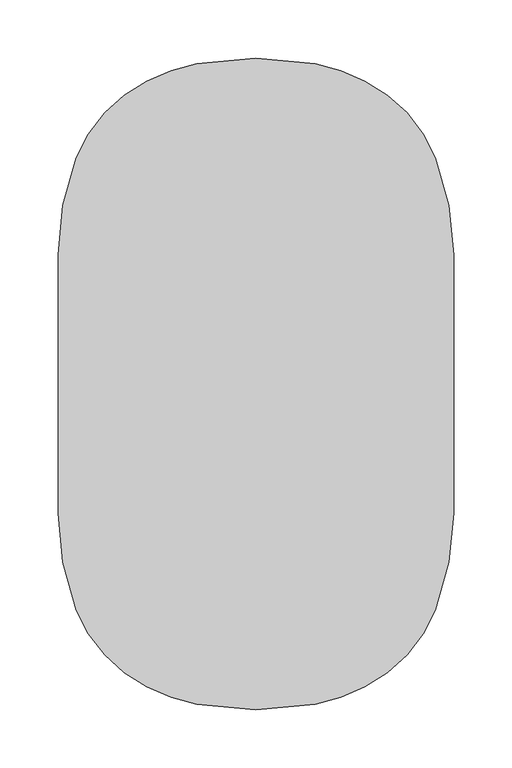
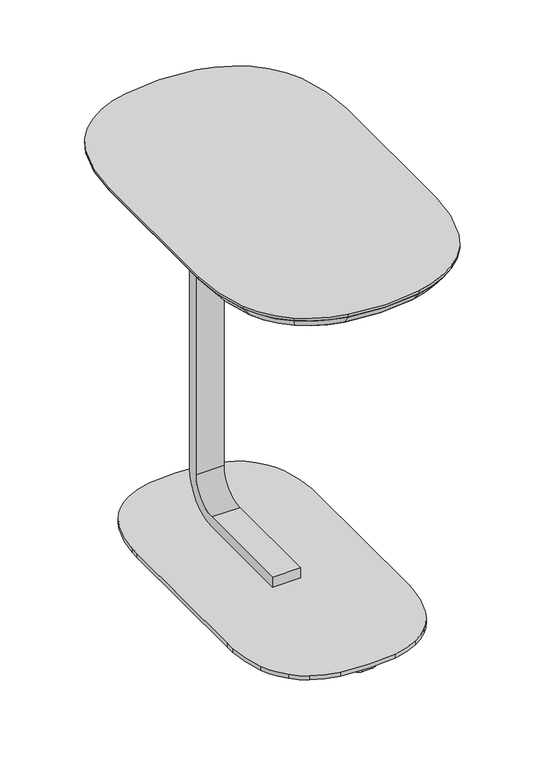
"""IFC4 building model written with IfcOpenShell, lengths in millimetres: furniture geometry."""

from ifc_helpers import new_model, si_unit, point, frame, frame_2d, origin, origin_with_axes, place, context, project, spatial, polyline, circle_curve, trimmed, segment, composite_curve, outline, extrude, source, transform, mapped, element, save
from ifc_brep_helpers import plane_surface, revolved_surface, advanced_brep


def furniture_dea233b0(model_context):
    return source(origin(), model_context, "Body", "SolidModel", [
        extrude(outline(composite_curve([segment(trimmed(circle_curve(frame_2d((59.7730218, 111.0000016)), 217.0730194), [point((-157.2999977, 111.0000016))], [point((-142.4413827, 189.9305432))], False, "CARTESIAN"), True, "CONTINUOUS"), segment(trimmed(circle_curve(frame_2d((-41.3271854, 150.462542)), 108.5440188), [point((-142.4413827, 189.9305432))], [point((-105.5617086, 237.9595708))], False, "CARTESIAN"), True, "CONTINUOUS"), segment(trimmed(circle_curve(frame_2d((-21.8726715, 123.9625842)), 141.4184142), [point((-105.5617086, 237.9595708))], [point((-48.4990834, 262.8517561))], False, "CARTESIAN"), True, "CONTINUOUS"), segment(trimmed(circle_curve(frame_2d((0.0, 9.8699587)), 257.5887243), [point((-48.4990834, 262.8517561))], [point((48.4990834, 262.8517561))], False, "CARTESIAN"), True, "CONTINUOUS"), segment(trimmed(circle_curve(frame_2d((21.8726715, 123.9625842)), 141.4184142), [point((48.4990834, 262.8517561))], [point((105.5617086, 237.9595708))], False, "CARTESIAN"), True, "CONTINUOUS"), segment(trimmed(circle_curve(frame_2d((41.3271854, 150.462542)), 108.5440188), [point((105.5617086, 237.9595708))], [point((142.4413827, 189.9305432))], False, "CARTESIAN"), True, "CONTINUOUS"), segment(trimmed(circle_curve(frame_2d((-59.7730218, 111.0000016)), 217.0730194), [point((142.4413827, 189.9305432))], [point((157.2999977, 111.0000016))], False, "CARTESIAN"), True, "CONTINUOUS"), segment(polyline([(157.2999977, 111.0000016), (157.2999977, -111.0000016)]), True, "CONTINUOUS"), segment(trimmed(circle_curve(frame_2d((-59.7730218, -111.0000016)), 217.0730194), [point((157.2999977, -111.0000016))], [point((142.4413827, -189.9305432))], False, "CARTESIAN"), True, "CONTINUOUS"), segment(trimmed(circle_curve(frame_2d((41.3271854, -150.462542)), 108.5440188), [point((142.4413827, -189.9305432))], [point((105.5617086, -237.9595708))], False, "CARTESIAN"), True, "CONTINUOUS"), segment(trimmed(circle_curve(frame_2d((21.8726715, -123.9625842)), 141.4184142), [point((105.5617086, -237.9595708))], [point((48.4990834, -262.8517561))], False, "CARTESIAN"), True, "CONTINUOUS"), segment(trimmed(circle_curve(frame_2d((0.0, -9.8699587)), 257.5887243), [point((48.4990834, -262.8517561))], [point((-48.4990834, -262.8517561))], False, "CARTESIAN"), True, "CONTINUOUS"), segment(trimmed(circle_curve(frame_2d((-21.8726715, -123.9625842)), 141.4184142), [point((-48.4990834, -262.8517561))], [point((-105.5617086, -237.9595708))], False, "CARTESIAN"), True, "CONTINUOUS"), segment(trimmed(circle_curve(frame_2d((-41.3271854, -150.462542)), 108.5440188), [point((-105.5617086, -237.9595708))], [point((-142.4413827, -189.9305432))], False, "CARTESIAN"), True, "CONTINUOUS"), segment(trimmed(circle_curve(frame_2d((59.7730218, -111.0000016)), 217.0730194), [point((-142.4413827, -189.9305432))], [point((-157.2999977, -111.0000016))], False, "CARTESIAN"), True, "CONTINUOUS"), segment(polyline([(-157.2999977, -111.0000016), (-157.2999977, 111.0000016)]), True, "CONTINUOUS")], self_intersect=False)), frame((0.0, 0.0, 559.5874), z_axis=(0.0, 0.0, 1.0), x_axis=(1.0, 0.0, 0.0)), (0.0, 0.0, 1.0), 2.54),
        advanced_brep(
        [(-169.9999977, -111.0000016, 575.5874045), (-154.2720696, -194.5484266, 575.5874045), (-113.0773548, -248.1970051, 575.5874045), (-50.8902531, -275.3246189, 575.5874045), (50.8902531, -275.3246189, 575.5874045), (113.0773548, -248.1970051, 575.5874045), (154.2720696, -194.5484266, 575.5874045), (169.9999977, -111.0000016, 575.5874045), (169.9999977, 111.0000016, 575.5874045), (154.2720696, 194.5484266, 575.5874045), (113.0773548, 248.1970051, 575.5874045), (50.8902531, 275.3246189, 575.5874045), (-50.8902531, 275.3246189, 575.5874045), (-113.0773548, 248.1970051, 575.5874045), (-154.2720696, 194.5484266, 575.5874045), (-169.9999977, 111.0000016, 575.5874045), (-157.2999977, -111.0000016, 559.5874), (-142.4413827, -189.9305432, 559.5874), (-105.5617086, -237.9595708, 559.5874), (-48.4990834, -262.8517561, 559.5874), (48.4990834, -262.8517561, 559.5874), (105.5617086, -237.9595708, 559.5874), (142.4413827, -189.9305432, 559.5874), (157.2999977, -111.0000016, 559.5874), (157.2999977, 111.0000016, 559.5874), (142.4413827, 189.9305432, 559.5874), (105.5617086, 237.9595708, 559.5874), (48.4990834, 262.8517561, 559.5874), (-48.4990834, 262.8517561, 559.5874), (-105.5617086, 237.9595708, 559.5874), (-142.4413827, 189.9305432, 559.5874), (-157.2999977, 111.0000016, 559.5874), (-157.2999977, 111.0000016, 562.1274), (-142.4413827, 189.9305432, 562.1274), (-105.5617086, 237.9595708, 562.1274), (-48.4990834, 262.8517561, 562.1274), (48.4990834, 262.8517561, 562.1274), (105.5617086, 237.9595708, 562.1274), (142.4413827, 189.9305432, 562.1274), (157.2999977, 111.0000016, 562.1274), (157.2999977, -111.0000016, 562.1274), (142.4413827, -189.9305432, 562.1274), (105.5617086, -237.9595708, 562.1274), (48.4990834, -262.8517561, 562.1274), (-48.4990834, -262.8517561, 562.1274), (-105.5617086, -237.9595708, 562.1274), (-142.4413827, -189.9305432, 562.1274), (-157.2999977, -111.0000016, 562.1274)],
        [
            (0, 1, circle_curve(frame((59.7730218, -111.0000016, 575.5874045), z_axis=(0.0, 0.0, 1.0), x_axis=(-0.9315501528197535, -0.36361286113323027, 0.0)), 229.7730194)),
            (1, 2, circle_curve(frame((-41.3271854, -150.462542, 575.5874045), z_axis=(0.0, 0.0, 1.0), x_axis=(-0.5917831670787314, -0.8060971921314863, 0.0)), 121.2440188)),
            (2, 3, circle_curve(frame((-21.8726715, -123.9625842, 575.5874045), z_axis=(0.0, 0.0, 1.0), x_axis=(-0.18828108061133114, -0.9821151840206064, 0.0)), 154.1184142)),
            (3, 4, circle_curve(frame((0.0, -9.8699587, 575.5874045), z_axis=(0.0, 0.0, 1.0), x_axis=(0.18828108061154258, -0.9821151840205659, 0.0)), 270.2887243)),
            (4, 5, circle_curve(frame((21.8726715, -123.9625842, 575.5874045), z_axis=(0.0, 0.0, 1.0), x_axis=(0.591783167078842, -0.8060971921314051, 0.0)), 154.1184142)),
            (5, 6, circle_curve(frame((41.3271854, -150.462542, 575.5874045), z_axis=(0.0, 0.0, 1.0), x_axis=(0.9315501528198225, -0.36361286113305363, 0.0)), 121.2440188)),
            (6, 7, circle_curve(frame((-59.7730218, -111.0000016, 575.5874045), z_axis=(0.0, 0.0, 1.0), x_axis=(1.0, 0.0, 0.0)), 229.7730194)),
            (7, 8),
            (8, 9, circle_curve(frame((-59.7730218, 111.0000016, 575.5874045), z_axis=(0.0, 0.0, 1.0), x_axis=(0.9315501528197597, 0.3636128611332145, 0.0)), 229.7730194)),
            (9, 10, circle_curve(frame((41.3271854, 150.462542, 575.5874045), z_axis=(0.0, 0.0, 1.0), x_axis=(0.5917831670787361, 0.8060971921314829, 0.0)), 121.2440188)),
            (10, 11, circle_curve(frame((21.8726715, 123.9625842, 575.5874045), z_axis=(0.0, 0.0, 1.0), x_axis=(0.18828108061147614, 0.9821151840205785, 0.0)), 154.1184142)),
            (11, 12, circle_curve(frame((0.0, 9.8699587, 575.5874045), z_axis=(0.0, 0.0, 1.0), x_axis=(-0.18828108061141519, 0.9821151840205903, 0.0)), 270.2887243)),
            (12, 13, circle_curve(frame((-21.8726715, 123.9625842, 575.5874045), z_axis=(0.0, 0.0, 1.0), x_axis=(-0.591783167078841, 0.8060971921314058, 0.0)), 154.1184142)),
            (13, 14, circle_curve(frame((-41.3271854, 150.462542, 575.5874045), z_axis=(0.0, 0.0, 1.0), x_axis=(-0.9315501528198256, 0.3636128611330458, 0.0)), 121.2440188)),
            (14, 15, circle_curve(frame((59.7730218, 111.0000016, 575.5874045), z_axis=(0.0, 0.0, 1.0), x_axis=(-1.0, 0.0, 0.0)), 229.7730194)),
            (15, 0),
            (0, 16),
            (16, 17, circle_curve(frame((59.7730218, -111.0000016, 559.5874), z_axis=(0.0, 0.0, 1.0), x_axis=(-0.9315501528197535, -0.36361286113323027, 0.0)), 217.0730194)),
            (17, 1),
            (17, 18, circle_curve(frame((-41.3271854, -150.462542, 559.5874), z_axis=(0.0, 0.0, 1.0), x_axis=(-0.5917831670787314, -0.8060971921314863, 0.0)), 108.5440188)),
            (18, 2),
            (18, 19, circle_curve(frame((-21.8726715, -123.9625842, 559.5874), z_axis=(0.0, 0.0, 1.0), x_axis=(-0.18828108061133114, -0.9821151840206064, 0.0)), 141.4184142)),
            (19, 3),
            (19, 20, circle_curve(frame((0.0, -9.8699587, 559.5874), z_axis=(0.0, 0.0, 1.0), x_axis=(0.18828108061154258, -0.9821151840205659, 0.0)), 257.5887243)),
            (20, 4),
            (20, 21, circle_curve(frame((21.8726715, -123.9625842, 559.5874), z_axis=(0.0, 0.0, 1.0), x_axis=(0.591783167078842, -0.8060971921314051, 0.0)), 141.4184142)),
            (21, 5),
            (21, 22, circle_curve(frame((41.3271854, -150.462542, 559.5874), z_axis=(0.0, 0.0, 1.0), x_axis=(0.9315501528198225, -0.36361286113305363, 0.0)), 108.5440188)),
            (22, 6),
            (22, 23, circle_curve(frame((-59.7730218, -111.0000016, 559.5874), z_axis=(0.0, 0.0, 1.0), x_axis=(1.0, 0.0, 0.0)), 217.0730194)),
            (23, 7),
            (23, 24),
            (24, 8),
            (24, 25, circle_curve(frame((-59.7730218, 111.0000016, 559.5874), z_axis=(0.0, 0.0, 1.0), x_axis=(0.9315501528197597, 0.3636128611332145, 0.0)), 217.0730194)),
            (25, 9),
            (25, 26, circle_curve(frame((41.3271854, 150.462542, 559.5874), z_axis=(0.0, 0.0, 1.0), x_axis=(0.5917831670787361, 0.8060971921314829, 0.0)), 108.5440188)),
            (26, 10),
            (26, 27, circle_curve(frame((21.8726715, 123.9625842, 559.5874), z_axis=(0.0, 0.0, 1.0), x_axis=(0.18828108061147614, 0.9821151840205785, 0.0)), 141.4184142)),
            (27, 11),
            (27, 28, circle_curve(frame((0.0, 9.8699587, 559.5874), z_axis=(0.0, 0.0, 1.0), x_axis=(-0.18828108061141519, 0.9821151840205903, 0.0)), 257.5887243)),
            (28, 12),
            (28, 29, circle_curve(frame((-21.8726715, 123.9625842, 559.5874), z_axis=(0.0, 0.0, 1.0), x_axis=(-0.591783167078841, 0.8060971921314058, 0.0)), 141.4184142)),
            (29, 13),
            (29, 30, circle_curve(frame((-41.3271854, 150.462542, 559.5874), z_axis=(0.0, 0.0, 1.0), x_axis=(-0.9315501528198256, 0.3636128611330458, 0.0)), 108.5440188)),
            (30, 14),
            (30, 31, circle_curve(frame((59.7730218, 111.0000016, 559.5874), z_axis=(0.0, 0.0, 1.0), x_axis=(-1.0, 0.0, 0.0)), 217.0730194)),
            (31, 15),
            (31, 16),
            (32, 33, circle_curve(frame((59.7730218, 111.0000016, 562.1274), z_axis=(0.0, 0.0, -1.0), x_axis=(0.0, 1.0, 0.0)), 217.0730194)),
            (33, 34, circle_curve(frame((-41.3271854, 150.462542, 562.1274), z_axis=(0.0, 0.0, -1.0), x_axis=(0.0, 1.0, 0.0)), 108.5440188)),
            (34, 35, circle_curve(frame((-21.8726715, 123.9625842, 562.1274), z_axis=(0.0, 0.0, -1.0), x_axis=(0.0, 1.0, 0.0)), 141.4184142)),
            (35, 36, circle_curve(frame((0.0, 9.8699587, 562.1274), z_axis=(0.0, 0.0, -1.0), x_axis=(0.0, 1.0, 0.0)), 257.5887243)),
            (36, 37, circle_curve(frame((21.8726715, 123.9625842, 562.1274), z_axis=(0.0, 0.0, -1.0), x_axis=(0.0, 1.0, 0.0)), 141.4184142)),
            (37, 38, circle_curve(frame((41.3271854, 150.462542, 562.1274), z_axis=(0.0, 0.0, -1.0), x_axis=(0.0, 1.0, 0.0)), 108.5440188)),
            (38, 39, circle_curve(frame((-59.7730218, 111.0000016, 562.1274), z_axis=(0.0, 0.0, -1.0), x_axis=(0.0, 1.0, 0.0)), 217.0730194)),
            (39, 40),
            (40, 41, circle_curve(frame((-59.7730218, -111.0000016, 562.1274), z_axis=(0.0, 0.0, -1.0), x_axis=(0.0, 1.0, 0.0)), 217.0730194)),
            (41, 42, circle_curve(frame((41.3271854, -150.462542, 562.1274), z_axis=(0.0, 0.0, -1.0), x_axis=(0.0, 1.0, 0.0)), 108.5440188)),
            (42, 43, circle_curve(frame((21.8726715, -123.9625842, 562.1274), z_axis=(0.0, 0.0, -1.0), x_axis=(0.0, 1.0, 0.0)), 141.4184142)),
            (43, 44, circle_curve(frame((0.0, -9.8699587, 562.1274), z_axis=(0.0, 0.0, -1.0), x_axis=(0.0, 1.0, 0.0)), 257.5887243)),
            (44, 45, circle_curve(frame((-21.8726715, -123.9625842, 562.1274), z_axis=(0.0, 0.0, -1.0), x_axis=(0.0, 1.0, 0.0)), 141.4184142)),
            (45, 46, circle_curve(frame((-41.3271854, -150.462542, 562.1274), z_axis=(0.0, 0.0, -1.0), x_axis=(0.0, 1.0, 0.0)), 108.5440188)),
            (46, 47, circle_curve(frame((59.7730218, -111.0000016, 562.1274), z_axis=(0.0, 0.0, -1.0), x_axis=(0.0, 1.0, 0.0)), 217.0730194)),
            (47, 32),
            (47, 16),
            (31, 32),
            (46, 17),
            (45, 18),
            (44, 19),
            (43, 20),
            (42, 21),
            (41, 22),
            (40, 23),
            (39, 24),
            (38, 25),
            (37, 26),
            (36, 27),
            (35, 28),
            (34, 29),
            (33, 30),
        ],
        [
            plane_surface(frame((0.0, 0.0, 575.5874045), z_axis=(0.0, 0.0, 1.0), x_axis=(0.0, -1.0, 0.0))),
            revolved_surface(polyline([(-142.44138264615898, -189.93054325964198, 559.5874), (-154.2720696, -194.5484266, 575.5874045)]), (59.7730218, -111.0000016, 286.1095036), (0.0, 0.0, 1.0)),
            revolved_surface(polyline([(-105.56170857671802, -237.95957075490415, 559.5874), (-113.0773548, -248.1970051, 575.5874045)]), (-41.3271854, -150.462542, 422.8389915), (0.0, 0.0, 1.0)),
            revolved_surface(polyline([(-48.49908337130098, -262.8517560529828, 559.5874), (-50.8902531, -275.3246189, 575.5874045)]), (-21.8726715, -123.9625842, 381.4224188), (0.0, 0.0, 1.0)),
            revolved_surface(polyline([(48.49908337332401, -262.8517560508408, 559.5874), (50.8902531, -275.3246189, 575.5874045)]), (0.0, -9.8699587, 235.0660816), (0.0, 0.0, 1.0)),
            revolved_surface(polyline([(105.5617085676985, -237.95957075369552, 559.5874), (113.0773548, -248.1970051, 575.5874045)]), (21.8726715, -123.9625842, 381.4224188), (0.0, 0.0, 1.0)),
            revolved_surface(polyline([(142.44138265563234, -189.9305432574969, 559.5874), (154.2720696, -194.5484266, 575.5874045)]), (41.3271854, -150.462542, 422.8389915), (0.0, 0.0, 1.0)),
            revolved_surface(polyline([(157.2999976842869, -111.0000016, 559.5874), (169.9999977, -111.0000016, 575.5874045)]), (-59.7730218, -111.0000016, 286.1095036), (0.0, 0.0, 1.0)),
            plane_surface(frame((169.9999977, 0.0, 575.5874045), z_axis=(0.7832511496566587, 0.0, -0.6217054258742822), x_axis=(0.0, -1.0, 0.0))),
            revolved_surface(polyline([(142.44138264615898, 189.93054325964198, 559.5874), (154.2720696, 194.5484266, 575.5874045)]), (-59.7730218, 111.0000016, 286.1095036), (0.0, 0.0, 1.0)),
            revolved_surface(polyline([(105.56170857671802, 237.95957075490415, 559.5874), (113.0773548, 248.1970051, 575.5874045)]), (41.3271854, 150.462542, 422.8389915), (0.0, 0.0, 1.0)),
            revolved_surface(polyline([(48.49908337130098, 262.8517560529828, 559.5874), (50.8902531, 275.3246189, 575.5874045)]), (21.8726715, 123.9625842, 381.4224188), (0.0, 0.0, 1.0)),
            revolved_surface(polyline([(-48.49908337332401, 262.8517560508408, 559.5874), (-50.8902531, 275.3246189, 575.5874045)]), (0.0, 9.8699587, 235.0660816), (0.0, 0.0, 1.0)),
            revolved_surface(polyline([(-105.5617085676985, 237.95957075369552, 559.5874), (-113.0773548, 248.1970051, 575.5874045)]), (-21.8726715, 123.9625842, 381.4224188), (0.0, 0.0, 1.0)),
            revolved_surface(polyline([(-142.44138265563234, 189.9305432574969, 559.5874), (-154.2720696, 194.5484266, 575.5874045)]), (-41.3271854, 150.462542, 422.8389915), (0.0, 0.0, 1.0)),
            revolved_surface(polyline([(-157.2999976842869, 111.0000016, 559.5874), (-169.9999977, 111.0000016, 575.5874045)]), (59.7730218, 111.0000016, 286.1095036), (0.0, 0.0, 1.0)),
            plane_surface(frame((-169.9999977, 0.0, 575.5874045), z_axis=(-0.7832511496566672, 0.0, -0.6217054258742715), x_axis=(0.0, 1.0, 0.0))),
            plane_surface(frame((-157.2999977, -111.0000016, 562.1274), z_axis=(0.0, 0.0, -1.0), x_axis=(0.0, -1.0, 0.0))),
            plane_surface(frame((-157.2999977, 111.0000016, 562.1274), z_axis=(1.0, 0.0, 0.0), x_axis=(0.0, 0.0, -1.0))),
            revolved_surface(polyline([(59.7730218, 106.07301779999999, 562.1274), (59.7730218, 106.07301779999999, 559.5874)]), (59.7730218, -111.0000016, 559.5874), (0.0, 0.0, 1.0)),
            revolved_surface(polyline([(-41.3271854, -41.91852320000001, 562.1274), (-41.3271854, -41.91852320000001, 559.5874)]), (-41.3271854, -150.462542, 559.5874), (0.0, 0.0, 1.0)),
            revolved_surface(polyline([(-21.8726715, 17.455830000000006, 562.1274), (-21.8726715, 17.455830000000006, 559.5874)]), (-21.8726715, -123.9625842, 559.5874), (0.0, 0.0, 1.0)),
            revolved_surface(polyline([(0.0, 247.7187656, 562.1274), (0.0, 247.7187656, 559.5874)]), (0.0, -9.8699587, 559.5874), (0.0, 0.0, 1.0)),
            revolved_surface(polyline([(21.8726715, 17.455830000000006, 562.1274), (21.8726715, 17.455830000000006, 559.5874)]), (21.8726715, -123.9625842, 559.5874), (0.0, 0.0, 1.0)),
            revolved_surface(polyline([(41.3271854, -41.91852320000001, 562.1274), (41.3271854, -41.91852320000001, 559.5874)]), (41.3271854, -150.462542, 559.5874), (0.0, 0.0, 1.0)),
            revolved_surface(polyline([(-59.7730218, 106.07301779999999, 562.1274), (-59.7730218, 106.07301779999999, 559.5874)]), (-59.7730218, -111.0000016, 559.5874), (0.0, 0.0, 1.0)),
            plane_surface(frame((157.2999977, -111.0000016, 562.1274), z_axis=(-1.0, 0.0, 0.0), x_axis=(0.0, 0.0, -1.0))),
            revolved_surface(polyline([(-59.7730218, 328.073021, 562.1274), (-59.7730218, 328.073021, 559.5874)]), (-59.7730218, 111.0000016, 559.5874), (0.0, 0.0, 1.0)),
            revolved_surface(polyline([(41.3271854, 259.0065608, 562.1274), (41.3271854, 259.0065608, 559.5874)]), (41.3271854, 150.462542, 559.5874), (0.0, 0.0, 1.0)),
            revolved_surface(polyline([(21.8726715, 265.3809984, 562.1274), (21.8726715, 265.3809984, 559.5874)]), (21.8726715, 123.9625842, 559.5874), (0.0, 0.0, 1.0)),
            revolved_surface(polyline([(0.0, 267.458683, 562.1274), (0.0, 267.458683, 559.5874)]), (0.0, 9.8699587, 559.5874), (0.0, 0.0, 1.0)),
            revolved_surface(polyline([(-21.8726715, 265.3809984, 562.1274), (-21.8726715, 265.3809984, 559.5874)]), (-21.8726715, 123.9625842, 559.5874), (0.0, 0.0, 1.0)),
            revolved_surface(polyline([(-41.3271854, 259.0065608, 562.1274), (-41.3271854, 259.0065608, 559.5874)]), (-41.3271854, 150.462542, 559.5874), (0.0, 0.0, 1.0)),
            revolved_surface(polyline([(59.7730218, 328.073021, 562.1274), (59.7730218, 328.073021, 559.5874)]), (59.7730218, 111.0000016, 559.5874), (0.0, 0.0, 1.0)),
        ],
        [
            (0, [[1, 2, 3, 4, 5, 6, 7, 8, 9, 10, 11, 12, 13, 14, 15, 16]]),
            (1, [[-1, 17, 18, 19]]),
            (2, [[-2, -19, 20, 21]]),
            (3, [[-3, -21, 22, 23]]),
            (4, [[-4, -23, 24, 25]]),
            (5, [[-5, -25, 26, 27]]),
            (6, [[-6, -27, 28, 29]]),
            (7, [[-7, -29, 30, 31]]),
            (8, [[-8, -31, 32, 33]]),
            (9, [[-9, -33, 34, 35]]),
            (10, [[-10, -35, 36, 37]]),
            (11, [[-11, -37, 38, 39]]),
            (12, [[-12, -39, 40, 41]]),
            (13, [[-13, -41, 42, 43]]),
            (14, [[-14, -43, 44, 45]]),
            (15, [[-15, -45, 46, 47]]),
            (16, [[-16, -47, 48, -17]]),
            (17, [[49, 50, 51, 52, 53, 54, 55, 56, 57, 58, 59, 60, 61, 62, 63, 64]]),
            (18, [[-64, 65, -48, 66]]),
            (19, [[-63, 67, -18, -65]]),
            (20, [[-62, 68, -20, -67]]),
            (21, [[-61, 69, -22, -68]]),
            (22, [[-60, 70, -24, -69]]),
            (23, [[-59, 71, -26, -70]]),
            (24, [[-58, 72, -28, -71]]),
            (25, [[-57, 73, -30, -72]]),
            (26, [[-56, 74, -32, -73]]),
            (27, [[-55, 75, -34, -74]]),
            (28, [[-54, 76, -36, -75]]),
            (29, [[-53, 77, -38, -76]]),
            (30, [[-52, 78, -40, -77]]),
            (31, [[-51, 79, -42, -78]]),
            (32, [[-50, 80, -44, -79]]),
            (33, [[-49, -66, -46, -80]]),
        ],
    ),
        extrude(outline(composite_curve([segment(polyline([(-35.0000007, 544.2452042), (-35.0000007, 559.5874), (114.7286672, 559.5874)]), True, "CONTINUOUS"), segment(trimmed(circle_curve(frame_2d((114.7286672, 504.3160695)), 55.2713305), [point((114.7286672, 559.5874))], [point((169.9999977, 504.3160695))], False, "CARTESIAN"), True, "CONTINUOUS"), segment(polyline([(169.9999977, 504.3160695), (169.9999977, 65.9519145)]), True, "CONTINUOUS"), segment(trimmed(circle_curve(frame_2d((115.0480828, 65.9519145)), 54.9519148), [point((169.9999977, 65.9519145))], [point((115.0480828, 10.9999997))], False, "CARTESIAN"), True, "CONTINUOUS"), segment(polyline([(115.0480828, 10.9999997), (-35.0000007, 10.9999997), (-35.0000007, 26.3421955), (115.0480828, 26.3421955)]), True, "CONTINUOUS"), segment(trimmed(circle_curve(frame_2d((115.0480828, 65.9519145)), 39.609719), [point((115.0480828, 26.3421955))], [point((154.6578019, 65.9519145))], True, "CARTESIAN"), True, "CONTINUOUS"), segment(polyline([(154.6578019, 65.9519145), (154.6578019, 504.3160695)]), True, "CONTINUOUS"), segment(trimmed(circle_curve(frame_2d((114.7286672, 504.3160695)), 39.9291347), [point((154.6578019, 504.3160695))], [point((114.7286672, 544.2452042))], True, "CARTESIAN"), True, "CONTINUOUS"), segment(polyline([(114.7286672, 544.2452042), (-35.0000007, 544.2452042)]), True, "CONTINUOUS")], self_intersect=False)), frame((-20.0000011, 0.0, 0.0), z_axis=(1.0, 0.0, 0.0), x_axis=(0.0, 1.0, 0.0)), (0.0, 0.0, 1.0), 40.0000021),
        extrude(outline(composite_curve([segment(polyline([(169.9999977, 111.0000016), (169.9999977, -111.0000016)]), True, "CONTINUOUS"), segment(trimmed(circle_curve(frame_2d((-59.7730218, -111.0000016)), 229.7730194), [point((169.9999977, -111.0000016))], [point((154.2720696, -194.5484266))], False, "CARTESIAN"), True, "CONTINUOUS"), segment(trimmed(circle_curve(frame_2d((41.3271854, -150.462542)), 121.2440188), [point((154.2720696, -194.5484266))], [point((113.0773548, -248.1970051))], False, "CARTESIAN"), True, "CONTINUOUS"), segment(trimmed(circle_curve(frame_2d((21.8726715, -123.9625842)), 154.1184142), [point((113.0773548, -248.1970051))], [point((50.8902531, -275.3246189))], False, "CARTESIAN"), True, "CONTINUOUS"), segment(trimmed(circle_curve(frame_2d((0.0, -9.8699587)), 270.2887243), [point((50.8902531, -275.3246189))], [point((-50.8902531, -275.3246189))], False, "CARTESIAN"), True, "CONTINUOUS"), segment(trimmed(circle_curve(frame_2d((-21.8726715, -123.9625842)), 154.1184142), [point((-50.8902531, -275.3246189))], [point((-113.0773548, -248.1970051))], False, "CARTESIAN"), True, "CONTINUOUS"), segment(trimmed(circle_curve(frame_2d((-41.3271854, -150.462542)), 121.2440188), [point((-113.0773548, -248.1970051))], [point((-154.2720696, -194.5484266))], False, "CARTESIAN"), True, "CONTINUOUS"), segment(trimmed(circle_curve(frame_2d((59.7730218, -111.0000016)), 229.7730194), [point((-154.2720696, -194.5484266))], [point((-169.9999977, -111.0000016))], False, "CARTESIAN"), True, "CONTINUOUS"), segment(polyline([(-169.9999977, -111.0000016), (-169.9999977, 111.0000016)]), True, "CONTINUOUS"), segment(trimmed(circle_curve(frame_2d((59.7730218, 111.0000016)), 229.7730194), [point((-169.9999977, 111.0000016))], [point((-154.2720696, 194.5484266))], False, "CARTESIAN"), True, "CONTINUOUS"), segment(trimmed(circle_curve(frame_2d((-41.3271854, 150.462542)), 121.2440188), [point((-154.2720696, 194.5484266))], [point((-113.0773548, 248.1970051))], False, "CARTESIAN"), True, "CONTINUOUS"), segment(trimmed(circle_curve(frame_2d((-21.8726715, 123.9625842)), 154.1184142), [point((-113.0773548, 248.1970051))], [point((-50.8902531, 275.3246189))], False, "CARTESIAN"), True, "CONTINUOUS"), segment(trimmed(circle_curve(frame_2d((0.0, 9.8699587)), 270.2887243), [point((-50.8902531, 275.3246189))], [point((50.8902531, 275.3246189))], False, "CARTESIAN"), True, "CONTINUOUS"), segment(trimmed(circle_curve(frame_2d((21.8726715, 123.9625842)), 154.1184142), [point((50.8902531, 275.3246189))], [point((113.0773548, 248.1970051))], False, "CARTESIAN"), True, "CONTINUOUS"), segment(trimmed(circle_curve(frame_2d((41.3271854, 150.462542)), 121.2440188), [point((113.0773548, 248.1970051))], [point((154.2720696, 194.5484266))], False, "CARTESIAN"), True, "CONTINUOUS"), segment(trimmed(circle_curve(frame_2d((-59.7730218, 111.0000016)), 229.7730194), [point((154.2720696, 194.5484266))], [point((169.9999977, 111.0000016))], False, "CARTESIAN"), True, "CONTINUOUS")], self_intersect=False)), frame((0.0, 0.0, 575.5874045), z_axis=(0.0, 0.0, 1.0), x_axis=(1.0, 0.0, 0.0)), (0.0, 0.0, 1.0), 3.9999739),
        extrude(outline(composite_curve([segment(trimmed(circle_curve(frame_2d((60.9981095, 111.0000016)), 189.9981115), [point((-129.0000021, 111.0000016))], [point((-128.5500477, 124.0682264))], False, "CARTESIAN"), True, "CONTINUOUS"), segment(trimmed(circle_curve(frame_2d((60.9981095, 111.0000016)), 189.9981115), [point((-128.5500477, 124.0682264))], [point((-117.835076, 175.1714452))], False, "CARTESIAN"), True, "CONTINUOUS"), segment(trimmed(circle_curve(frame_2d((-35.2582446, 145.5400629)), 87.7322739), [point((-117.835076, 175.1714452))], [point((-96.9341995, 207.9342011))], False, "CARTESIAN"), True, "CONTINUOUS"), segment(trimmed(circle_curve(frame_2d((-31.0574132, 141.2903151)), 93.7078359), [point((-96.9341995, 207.9342011))], [point((-76.0287169, 223.5018737))], False, "CARTESIAN"), True, "CONTINUOUS"), segment(trimmed(circle_curve(frame_2d((-22.5130454, 125.6704477)), 111.51195), [point((-76.0287169, 223.5018737))], [point((-38.9574013, 235.9632315))], False, "CARTESIAN"), True, "CONTINUOUS"), segment(trimmed(circle_curve(frame_2d((0.0, -25.3252161)), 264.176706), [point((-38.9574013, 235.9632315))], [point((38.9574013, 235.9632315))], False, "CARTESIAN"), True, "CONTINUOUS"), segment(trimmed(circle_curve(frame_2d((22.5130454, 125.6704477)), 111.51195), [point((38.9574013, 235.9632315))], [point((76.0287169, 223.5018737))], False, "CARTESIAN"), True, "CONTINUOUS"), segment(trimmed(circle_curve(frame_2d((31.0574132, 141.2903151)), 93.7078359), [point((76.0287169, 223.5018737))], [point((96.9341995, 207.9342011))], False, "CARTESIAN"), True, "CONTINUOUS"), segment(trimmed(circle_curve(frame_2d((35.2582446, 145.5400629)), 87.7322739), [point((96.9341995, 207.9342011))], [point((117.835076, 175.1714452))], False, "CARTESIAN"), True, "CONTINUOUS"), segment(trimmed(circle_curve(frame_2d((-60.9981095, 111.0000016)), 189.9981115), [point((117.835076, 175.1714452))], [point((128.5500477, 124.0682264))], False, "CARTESIAN"), True, "CONTINUOUS"), segment(trimmed(circle_curve(frame_2d((-60.9981095, 111.0000016)), 189.9981115), [point((128.5500477, 124.0682264))], [point((129.0000021, 111.0000016))], False, "CARTESIAN"), True, "CONTINUOUS"), segment(polyline([(129.0000021, 111.0000016), (129.0000021, -111.0000016)]), True, "CONTINUOUS"), segment(trimmed(circle_curve(frame_2d((-60.9981095, -111.0000016)), 189.9981115), [point((129.0000021, -111.0000016))], [point((128.5500477, -124.0682264))], False, "CARTESIAN"), True, "CONTINUOUS"), segment(trimmed(circle_curve(frame_2d((-60.9981095, -111.0000016)), 189.9981115), [point((128.5500477, -124.0682264))], [point((117.835076, -175.1714452))], False, "CARTESIAN"), True, "CONTINUOUS"), segment(trimmed(circle_curve(frame_2d((35.2582446, -145.5400629)), 87.7322739), [point((117.835076, -175.1714452))], [point((96.9341995, -207.9342011))], False, "CARTESIAN"), True, "CONTINUOUS"), segment(trimmed(circle_curve(frame_2d((31.0574132, -141.2903151)), 93.7078359), [point((96.9341995, -207.9342011))], [point((76.0287169, -223.5018737))], False, "CARTESIAN"), True, "CONTINUOUS"), segment(trimmed(circle_curve(frame_2d((22.5130454, -125.6704477)), 111.51195), [point((76.0287169, -223.5018737))], [point((38.9574013, -235.9632315))], False, "CARTESIAN"), True, "CONTINUOUS"), segment(trimmed(circle_curve(frame_2d((0.0, 25.3252161)), 264.176706), [point((38.9574013, -235.9632315))], [point((-38.9574013, -235.9632315))], False, "CARTESIAN"), True, "CONTINUOUS"), segment(trimmed(circle_curve(frame_2d((-22.5130454, -125.6704477)), 111.51195), [point((-38.9574013, -235.9632315))], [point((-76.0287169, -223.5018737))], False, "CARTESIAN"), True, "CONTINUOUS"), segment(trimmed(circle_curve(frame_2d((-31.0574132, -141.2903151)), 93.7078359), [point((-76.0287169, -223.5018737))], [point((-96.9341995, -207.9342011))], False, "CARTESIAN"), True, "CONTINUOUS"), segment(trimmed(circle_curve(frame_2d((-35.2582446, -145.5400629)), 87.7322739), [point((-96.9341995, -207.9342011))], [point((-117.835076, -175.1714452))], False, "CARTESIAN"), True, "CONTINUOUS"), segment(trimmed(circle_curve(frame_2d((60.9981095, -111.0000016)), 189.9981115), [point((-117.835076, -175.1714452))], [point((-128.5500477, -124.0682264))], False, "CARTESIAN"), True, "CONTINUOUS"), segment(trimmed(circle_curve(frame_2d((60.9981095, -111.0000016)), 189.9981115), [point((-128.5500477, -124.0682264))], [point((-129.0000021, -111.0000016))], False, "CARTESIAN"), True, "CONTINUOUS"), segment(polyline([(-129.0000021, -111.0000016), (-129.0000021, 111.0000016)]), True, "CONTINUOUS")], self_intersect=False)), frame((0.0, 0.0, 4.9999997), z_axis=(0.0, 0.0, 1.0), x_axis=(1.0, 0.0, 0.0)), (0.0, 0.0, 1.0), 6.0),
        extrude(outline(composite_curve([segment(polyline([(-107.0000005, 7.0000003), (-107.0000005, -7.0000003)]), True, "CONTINUOUS"), segment(trimmed(circle_curve(frame_2d((-115.4999994, -7.0000003)), 8.499999), [point((-107.0000005, -7.0000003))], [point((-123.9999984, -7.0000003))], False, "CARTESIAN"), True, "CONTINUOUS"), segment(polyline([(-123.9999984, -7.0000003), (-123.9999984, 7.0000003)]), True, "CONTINUOUS"), segment(trimmed(circle_curve(frame_2d((-115.4999994, 7.0000003)), 8.499999), [point((-123.9999984, 7.0000003))], [point((-107.0000005, 7.0000003))], False, "CARTESIAN"), True, "CONTINUOUS")], self_intersect=False)), origin_with_axes(), (0.0, 0.0, 1.0), 4.9999997),
        extrude(outline(composite_curve([segment(trimmed(circle_curve(frame_2d((115.4999994, 7.0000003)), 8.499999), [point((107.0000005, 7.0000003))], [point((123.9999984, 7.0000003))], False, "CARTESIAN"), True, "CONTINUOUS"), segment(polyline([(123.9999984, 7.0000003), (123.9999984, -7.0000003)]), True, "CONTINUOUS"), segment(trimmed(circle_curve(frame_2d((115.4999994, -7.0000003)), 8.499999), [point((123.9999984, -7.0000003))], [point((107.0000005, -7.0000003))], False, "CARTESIAN"), True, "CONTINUOUS"), segment(polyline([(107.0000005, -7.0000003), (107.0000005, 7.0000003)]), True, "CONTINUOUS")], self_intersect=False)), origin_with_axes(), (0.0, 0.0, 1.0), 4.9999997),
        extrude(outline(composite_curve([segment(polyline([(-7.0000003, 235.0000091), (7.0000003, 235.0000091)]), True, "CONTINUOUS"), segment(trimmed(circle_curve(frame_2d((7.0000003, 226.500001)), 8.5000081), [point((7.0000003, 235.0000091))], [point((7.0000003, 217.9999929))], False, "CARTESIAN"), True, "CONTINUOUS"), segment(polyline([(7.0000003, 217.9999929), (-7.0000003, 217.9999929)]), True, "CONTINUOUS"), segment(trimmed(circle_curve(frame_2d((-7.0000003, 226.500001)), 8.5000081), [point((-7.0000003, 217.9999929))], [point((-7.0000003, 235.0000091))], False, "CARTESIAN"), True, "CONTINUOUS")], self_intersect=False)), origin_with_axes(), (0.0, 0.0, 1.0), 4.9999997),
        extrude(outline(composite_curve([segment(trimmed(circle_curve(frame_2d((-7.0000003, -226.500001)), 8.5000081), [point((-7.0000003, -235.0000091))], [point((-7.0000003, -217.9999929))], False, "CARTESIAN"), True, "CONTINUOUS"), segment(polyline([(-7.0000003, -217.9999929), (7.0000003, -217.9999929)]), True, "CONTINUOUS"), segment(trimmed(circle_curve(frame_2d((7.0000003, -226.500001)), 8.5000081), [point((7.0000003, -217.9999929))], [point((7.0000003, -235.0000091))], False, "CARTESIAN"), True, "CONTINUOUS"), segment(polyline([(7.0000003, -235.0000091), (-7.0000003, -235.0000091)]), True, "CONTINUOUS")], self_intersect=False)), origin_with_axes(), (0.0, 0.0, 1.0), 4.9999997),
    ])


if __name__ == "__main__":
    model = new_model("IFC4")
    model_context = context("Model", 3, world=origin())
    ifc_project = project(units=[si_unit("LENGTHUNIT", "METRE", prefix="MILLI")], contexts=[model_context])
    site = spatial("IfcSite", under=ifc_project)
    building = spatial("IfcBuilding", under=site)
    placement = place(None, origin())
    furniture_shape = furniture_dea233b0(model_context)
    element("IfcFurniture", 1, at=placement, inside=building, context=model_context, shape_type="MappedRepresentation", body=[
        mapped(furniture_shape, transform((0.0, 0.0, 0.0), x_axis=(1.0, 0.0, 0.0), y_axis=(0.0, 1.0, 0.0), z_axis=(0.0, 0.0, 1.0))),
    ])
    save(model, "model.ifc")
